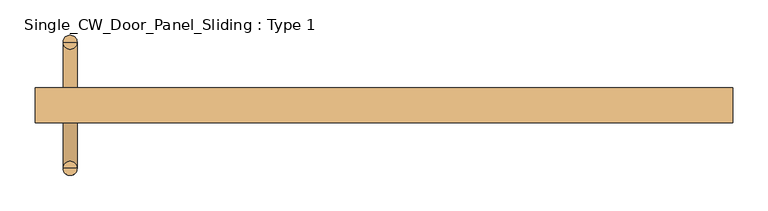
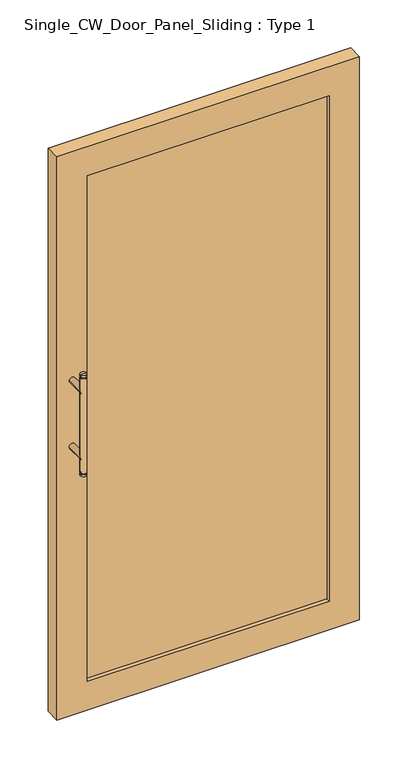
"""IFC4 building model written with IfcOpenShell, lengths in millimetres: door geometry, Single_CW_Door_Panel_Sliding : Type 1."""

from ifc_helpers import new_model, si_unit, point, frame, frame_2d, origin, place, context, project, spatial, polyline, circle_curve, trimmed, segment, composite_curve, outline, extrude, source, transform, mapped, element, save
from ifc_brep_helpers import plane_surface, cylinder_surface, advanced_brep


def single_cw_door_panel_sliding_type_1_6af291b7(model_context):
    return source(origin(), model_context, "Body", "SolidModel", [
        advanced_brep(
        [(-437.5, 20.0, 1219.0), (-457.5, 20.0, 1219.0), (-457.5, 20.0, 1225.0), (-437.5, 20.0, 1225.0), (-455.5323501, 20.0, 1214.7650043), (-439.4676499, 20.0, 1214.7650043), (-439.4676499, 20.0, 1219.0), (-455.5323501, 20.0, 1219.0), (-437.5, 20.0, 1214.7650043), (-457.5, 20.0, 1214.7650043), (-437.5, 20.0, 885.2349957), (-457.5, 20.0, 885.2349957), (-439.4676499, 20.0, 885.2349957), (-455.5323501, 20.0, 885.2349957), (-439.4676499, 20.0, 881.0), (-455.5323501, 20.0, 881.0), (-437.5, 20.0, 881.0), (-457.5, 20.0, 881.0), (-437.5, 20.0, 875.0), (-457.5, 20.0, 875.0), (-447.5, 20.0, 875.0), (-447.5, 20.0, 1225.0)],
        [
            (0, 1, circle_curve(frame((-447.5, 20.0, 1219.0), z_axis=(0.0, 0.0, 1.0), x_axis=(-1.0, 0.0, 0.0)), 10.0)),
            (1, 2),
            (2, 3, circle_curve(frame((-447.5, 20.0, 1225.0), z_axis=(0.0, 0.0, -1.0), x_axis=(-1.0, 0.0, 0.0)), 10.0)),
            (3, 0),
            (4, 5, circle_curve(frame((-447.5, 20.0, 1214.7650043), z_axis=(0.0, 0.0, 1.0), x_axis=(-1.0, 0.0, 0.0)), 8.0323501)),
            (5, 6),
            (6, 7, circle_curve(frame((-447.5, 20.0, 1219.0), z_axis=(0.0, 0.0, -1.0), x_axis=(-1.0, 0.0, 0.0)), 8.0323501)),
            (7, 4),
            (1, 0, circle_curve(frame((-447.5, 20.0, 1219.0), z_axis=(0.0, 0.0, 1.0), x_axis=(-1.0, 0.0, 0.0)), 10.0)),
            (3, 2, circle_curve(frame((-447.5, 20.0, 1225.0), z_axis=(0.0, 0.0, -1.0), x_axis=(-1.0, 0.0, 0.0)), 10.0)),
            (6, 7, circle_curve(frame((-447.5, 20.0, 1219.0), z_axis=(0.0, 0.0, 1.0), x_axis=(-1.0, 0.0, 0.0)), 8.0323501)),
            (7, 1),
            (0, 6),
            (5, 4, circle_curve(frame((-447.5, 20.0, 1214.7650043), z_axis=(0.0, 0.0, 1.0), x_axis=(-1.0, 0.0, 0.0)), 8.0323501)),
            (8, 9, circle_curve(frame((-447.5, 20.0, 1214.7650043), z_axis=(0.0, 0.0, 1.0), x_axis=(-1.0, 0.0, 0.0)), 10.0)),
            (9, 4),
            (5, 8),
            (9, 8, circle_curve(frame((-447.5, 20.0, 1214.7650043), z_axis=(0.0, 0.0, 1.0), x_axis=(-1.0, 0.0, 0.0)), 10.0)),
            (10, 11, circle_curve(frame((-447.5, 20.0, 885.2349957), z_axis=(0.0, 0.0, 1.0), x_axis=(-1.0, 0.0, 0.0)), 10.0)),
            (11, 9),
            (8, 10),
            (11, 10, circle_curve(frame((-447.5, 20.0, 885.2349957), z_axis=(0.0, 0.0, 1.0), x_axis=(-1.0, 0.0, 0.0)), 10.0)),
            (12, 13, circle_curve(frame((-447.5, 20.0, 885.2349957), z_axis=(0.0, 0.0, 1.0), x_axis=(-1.0, 0.0, 0.0)), 8.0323501)),
            (13, 11),
            (10, 12),
            (13, 12, circle_curve(frame((-447.5, 20.0, 885.2349957), z_axis=(0.0, 0.0, 1.0), x_axis=(-1.0, 0.0, 0.0)), 8.0323501)),
            (14, 15, circle_curve(frame((-447.5, 20.0, 881.0), z_axis=(0.0, 0.0, 1.0), x_axis=(-1.0, 0.0, 0.0)), 8.0323501)),
            (15, 13),
            (12, 14),
            (15, 14, circle_curve(frame((-447.5, 20.0, 881.0), z_axis=(0.0, 0.0, 1.0), x_axis=(-1.0, 0.0, 0.0)), 8.0323501)),
            (16, 17, circle_curve(frame((-447.5, 20.0, 881.0), z_axis=(0.0, 0.0, 1.0), x_axis=(-1.0, 0.0, 0.0)), 10.0)),
            (17, 15),
            (14, 16),
            (17, 16, circle_curve(frame((-447.5, 20.0, 881.0), z_axis=(0.0, 0.0, 1.0), x_axis=(-1.0, 0.0, 0.0)), 10.0)),
            (18, 19, circle_curve(frame((-447.5, 20.0, 875.0), z_axis=(0.0, 0.0, 1.0), x_axis=(-1.0, 0.0, 0.0)), 10.0)),
            (19, 17),
            (16, 18),
            (19, 18, circle_curve(frame((-447.5, 20.0, 875.0), z_axis=(0.0, 0.0, 1.0), x_axis=(-1.0, 0.0, 0.0)), 10.0)),
            (20, 19),
            (18, 20),
            (2, 21),
            (21, 3),
        ],
        [
            cylinder_surface(frame((-447.5, 20.0, 850.0), z_axis=(0.0, 0.0, -1.0), x_axis=(-1.0, 0.0, 0.0)), 10.0),
            cylinder_surface(frame((-447.5, 20.0, 850.0), z_axis=(0.0, 0.0, -1.0), x_axis=(-1.0, 0.0, 0.0)), 8.0323501),
            plane_surface(frame((-447.5, 20.0, 1219.0), z_axis=(0.0, 0.0, -1.0), x_axis=(-1.0, 0.0, 0.0))),
            plane_surface(frame((-447.5, 20.0, 1214.7650043), z_axis=(0.0, 0.0, 1.0), x_axis=(-1.0, 0.0, 0.0))),
            plane_surface(frame((-447.5, 20.0, 885.2349957), z_axis=(0.0, 0.0, -1.0), x_axis=(-1.0, 0.0, 0.0))),
            plane_surface(frame((-447.5, 20.0, 881.0), z_axis=(0.0, 0.0, 1.0), x_axis=(-1.0, 0.0, 0.0))),
            plane_surface(frame((-447.5, 20.0, 875.0), z_axis=(0.0, 0.0, -1.0), x_axis=(-1.0, 0.0, 0.0))),
            plane_surface(frame((-447.5, 20.0, 1225.0), z_axis=(0.0, 0.0, 1.0), x_axis=(-1.0, 0.0, 0.0))),
        ],
        [
            (0, [[1, 2, 3, 4]]),
            (1, [[5, 6, 7, 8]]),
            (0, [[9, -4, 10, -2]]),
            (2, [[11, 12, -1, 13]]),
            (2, [[-7, -13, -9, -12]]),
            (1, [[14, -8, -11, -6]]),
            (3, [[15, 16, -14, 17]]),
            (3, [[18, -17, -5, -16]]),
            (0, [[19, 20, -15, 21]]),
            (0, [[22, -21, -18, -20]]),
            (4, [[23, 24, -19, 25]]),
            (4, [[26, -25, -22, -24]]),
            (1, [[27, 28, -23, 29]]),
            (1, [[30, -29, -26, -28]]),
            (5, [[31, 32, -27, 33]]),
            (5, [[34, -33, -30, -32]]),
            (0, [[35, 36, -31, 37]]),
            (0, [[38, -37, -34, -36]]),
            (6, [[39, -35, 40]]),
            (6, [[-40, -38, -39]]),
            (7, [[-3, 41, 42]]),
            (7, [[-10, -42, -41]]),
        ],
    ),
        extrude(outline(composite_curve([segment(trimmed(circle_curve(frame_2d((935.0, -447.5)), 10.0), [point((935.0, -457.5))], [point((935.0, -437.5))], False, "CARTESIAN"), True, "CONTINUOUS"), segment(trimmed(circle_curve(frame_2d((935.0, -447.5)), 10.0), [point((935.0, -437.5))], [point((935.0, -457.5))], False, "CARTESIAN"), True, "CONTINUOUS")], self_intersect=False)), frame((0.0, -45.0, 0.0), z_axis=(0.0, 1.0, 0.0), x_axis=(0.0, 0.0, 1.0)), (0.0, 0.0, 1.0), 65.0),
        extrude(outline(composite_curve([segment(trimmed(circle_curve(frame_2d((1165.0, -447.5)), 10.0), [point((1165.0, -457.5))], [point((1165.0, -437.5))], False, "CARTESIAN"), True, "CONTINUOUS"), segment(trimmed(circle_curve(frame_2d((1165.0, -447.5)), 10.0), [point((1165.0, -437.5))], [point((1165.0, -457.5))], False, "CARTESIAN"), True, "CONTINUOUS")], self_intersect=False)), frame((0.0, -45.0, 0.0), z_axis=(0.0, 1.0, 0.0), x_axis=(0.0, 0.0, 1.0)), (0.0, 0.0, 1.0), 65.0),
        extrude(outline(polyline([(397.5, -57.5), (397.5, -82.5), (-397.5, -82.5), (-397.5, -57.5), (397.5, -57.5)])), frame((0.0, 0.0, 100.0), z_axis=(0.0, 0.0, 1.0), x_axis=(1.0, 0.0, 0.0)), (0.0, 0.0, 1.0), 1757.6957848),
        extrude(outline(polyline([(1957.6957848, 497.5), (1957.6957848, -497.5), (0.0, -497.5), (0.0, 497.5), (1957.6957848, 497.5)]), holes=[polyline([(1857.6957848, 397.5), (100.0, 397.5), (100.0, -397.5), (1857.6957848, -397.5), (1857.6957848, 397.5)])]), frame((0.0, -95.0, 0.0), z_axis=(0.0, 1.0, 0.0), x_axis=(0.0, 0.0, 1.0)), (0.0, 0.0, 1.0), 50.0),
        advanced_brep(
        [(-437.5, -160.0, 1219.0), (-437.5, -160.0, 1225.0), (-457.5, -160.0, 1225.0), (-457.5, -160.0, 1219.0), (-455.5323501, -160.0, 1214.7650043), (-455.5323501, -160.0, 1219.0), (-439.4676499, -160.0, 1219.0), (-439.4676499, -160.0, 1214.7650043), (-437.5, -160.0, 1214.7650043), (-457.5, -160.0, 1214.7650043), (-437.5, -160.0, 885.2349957), (-457.5, -160.0, 885.2349957), (-439.4676499, -160.0, 885.2349957), (-455.5323501, -160.0, 885.2349957), (-439.4676499, -160.0, 881.0), (-455.5323501, -160.0, 881.0), (-437.5, -160.0, 881.0), (-457.5, -160.0, 881.0), (-437.5, -160.0, 875.0), (-457.5, -160.0, 875.0), (-447.5, -160.0, 875.0), (-447.5, -160.0, 1225.0)],
        [
            (0, 1),
            (1, 2, circle_curve(frame((-447.5, -160.0, 1225.0), z_axis=(0.0, 0.0, -1.0), x_axis=(-1.0, 0.0, 0.0)), 10.0)),
            (2, 3),
            (3, 0, circle_curve(frame((-447.5, -160.0, 1219.0), z_axis=(0.0, 0.0, 1.0), x_axis=(-1.0, 0.0, 0.0)), 10.0)),
            (4, 5),
            (5, 6, circle_curve(frame((-447.5, -160.0, 1219.0), z_axis=(0.0, 0.0, -1.0), x_axis=(-1.0, 0.0, 0.0)), 8.0323501)),
            (6, 7),
            (7, 4, circle_curve(frame((-447.5, -160.0, 1214.7650043), z_axis=(0.0, 0.0, 1.0), x_axis=(-1.0, 0.0, 0.0)), 8.0323501)),
            (2, 1, circle_curve(frame((-447.5, -160.0, 1225.0), z_axis=(0.0, 0.0, -1.0), x_axis=(-1.0, 0.0, 0.0)), 10.0)),
            (0, 3, circle_curve(frame((-447.5, -160.0, 1219.0), z_axis=(0.0, 0.0, 1.0), x_axis=(-1.0, 0.0, 0.0)), 10.0)),
            (6, 0),
            (3, 5),
            (5, 6, circle_curve(frame((-447.5, -160.0, 1219.0), z_axis=(0.0, 0.0, 1.0), x_axis=(-1.0, 0.0, 0.0)), 8.0323501)),
            (4, 7, circle_curve(frame((-447.5, -160.0, 1214.7650043), z_axis=(0.0, 0.0, 1.0), x_axis=(-1.0, 0.0, 0.0)), 8.0323501)),
            (8, 7),
            (4, 9),
            (9, 8, circle_curve(frame((-447.5, -160.0, 1214.7650043), z_axis=(0.0, 0.0, 1.0), x_axis=(-1.0, 0.0, 0.0)), 10.0)),
            (8, 9, circle_curve(frame((-447.5, -160.0, 1214.7650043), z_axis=(0.0, 0.0, 1.0), x_axis=(-1.0, 0.0, 0.0)), 10.0)),
            (10, 8),
            (9, 11),
            (11, 10, circle_curve(frame((-447.5, -160.0, 885.2349957), z_axis=(0.0, 0.0, 1.0), x_axis=(-1.0, 0.0, 0.0)), 10.0)),
            (10, 11, circle_curve(frame((-447.5, -160.0, 885.2349957), z_axis=(0.0, 0.0, 1.0), x_axis=(-1.0, 0.0, 0.0)), 10.0)),
            (12, 10),
            (11, 13),
            (13, 12, circle_curve(frame((-447.5, -160.0, 885.2349957), z_axis=(0.0, 0.0, 1.0), x_axis=(-1.0, 0.0, 0.0)), 8.0323501)),
            (12, 13, circle_curve(frame((-447.5, -160.0, 885.2349957), z_axis=(0.0, 0.0, 1.0), x_axis=(-1.0, 0.0, 0.0)), 8.0323501)),
            (14, 12),
            (13, 15),
            (15, 14, circle_curve(frame((-447.5, -160.0, 881.0), z_axis=(0.0, 0.0, 1.0), x_axis=(-1.0, 0.0, 0.0)), 8.0323501)),
            (14, 15, circle_curve(frame((-447.5, -160.0, 881.0), z_axis=(0.0, 0.0, 1.0), x_axis=(-1.0, 0.0, 0.0)), 8.0323501)),
            (16, 14),
            (15, 17),
            (17, 16, circle_curve(frame((-447.5, -160.0, 881.0), z_axis=(0.0, 0.0, 1.0), x_axis=(-1.0, 0.0, 0.0)), 10.0)),
            (16, 17, circle_curve(frame((-447.5, -160.0, 881.0), z_axis=(0.0, 0.0, 1.0), x_axis=(-1.0, 0.0, 0.0)), 10.0)),
            (18, 16),
            (17, 19),
            (19, 18, circle_curve(frame((-447.5, -160.0, 875.0), z_axis=(0.0, 0.0, 1.0), x_axis=(-1.0, 0.0, 0.0)), 10.0)),
            (18, 19, circle_curve(frame((-447.5, -160.0, 875.0), z_axis=(0.0, 0.0, 1.0), x_axis=(-1.0, 0.0, 0.0)), 10.0)),
            (20, 18),
            (19, 20),
            (1, 21),
            (21, 2),
        ],
        [
            cylinder_surface(frame((-447.5, -160.0, 850.0), z_axis=(0.0, 0.0, -1.0), x_axis=(-1.0, 0.0, 0.0)), 10.0),
            cylinder_surface(frame((-447.5, -160.0, 850.0), z_axis=(0.0, 0.0, -1.0), x_axis=(-1.0, 0.0, 0.0)), 8.0323501),
            plane_surface(frame((-447.5, -160.0, 1219.0), z_axis=(0.0, 0.0, -1.0), x_axis=(-1.0, 0.0, 0.0))),
            plane_surface(frame((-447.5, -160.0, 1214.7650043), z_axis=(0.0, 0.0, 1.0), x_axis=(-1.0, 0.0, 0.0))),
            plane_surface(frame((-447.5, -160.0, 885.2349957), z_axis=(0.0, 0.0, -1.0), x_axis=(-1.0, 0.0, 0.0))),
            plane_surface(frame((-447.5, -160.0, 881.0), z_axis=(0.0, 0.0, 1.0), x_axis=(-1.0, 0.0, 0.0))),
            plane_surface(frame((-447.5, -160.0, 875.0), z_axis=(0.0, 0.0, -1.0), x_axis=(-1.0, 0.0, 0.0))),
            plane_surface(frame((-447.5, -160.0, 1225.0), z_axis=(0.0, 0.0, 1.0), x_axis=(-1.0, 0.0, 0.0))),
        ],
        [
            (0, [[1, 2, 3, 4]]),
            (1, [[5, 6, 7, 8]]),
            (0, [[-3, 9, -1, 10]]),
            (2, [[11, -4, 12, 13]]),
            (2, [[-12, -10, -11, -6]]),
            (1, [[-7, -13, -5, 14]]),
            (3, [[15, -14, 16, 17]]),
            (3, [[-16, -8, -15, 18]]),
            (0, [[19, -17, 20, 21]]),
            (0, [[-20, -18, -19, 22]]),
            (4, [[23, -21, 24, 25]]),
            (4, [[-24, -22, -23, 26]]),
            (1, [[27, -25, 28, 29]]),
            (1, [[-28, -26, -27, 30]]),
            (5, [[31, -29, 32, 33]]),
            (5, [[-32, -30, -31, 34]]),
            (0, [[35, -33, 36, 37]]),
            (0, [[-36, -34, -35, 38]]),
            (6, [[39, -37, 40]]),
            (6, [[-40, -38, -39]]),
            (7, [[41, 42, -2]]),
            (7, [[-42, -41, -9]]),
        ],
    ),
        extrude(outline(composite_curve([segment(trimmed(circle_curve(frame_2d((1165.0, -447.5)), 10.0), [point((1165.0, -457.5))], [point((1165.0, -437.5))], False, "CARTESIAN"), True, "CONTINUOUS"), segment(trimmed(circle_curve(frame_2d((1165.0, -447.5)), 10.0), [point((1165.0, -437.5))], [point((1165.0, -457.5))], False, "CARTESIAN"), True, "CONTINUOUS")], self_intersect=False)), frame((0.0, -160.0, 0.0), z_axis=(0.0, 1.0, 0.0), x_axis=(0.0, 0.0, 1.0)), (0.0, 0.0, 1.0), 65.0),
        extrude(outline(composite_curve([segment(trimmed(circle_curve(frame_2d((935.0, -447.5)), 10.0), [point((935.0, -457.5))], [point((935.0, -437.5))], False, "CARTESIAN"), True, "CONTINUOUS"), segment(trimmed(circle_curve(frame_2d((935.0, -447.5)), 10.0), [point((935.0, -437.5))], [point((935.0, -457.5))], False, "CARTESIAN"), True, "CONTINUOUS")], self_intersect=False)), frame((0.0, -160.0, 0.0), z_axis=(0.0, 1.0, 0.0), x_axis=(0.0, 0.0, 1.0)), (0.0, 0.0, 1.0), 65.0),
    ])


if __name__ == "__main__":
    model = new_model("IFC4")
    model_context = context("Model", 3, world=origin())
    ifc_project = project(units=[si_unit("LENGTHUNIT", "METRE", prefix="MILLI")], contexts=[model_context])
    site = spatial("IfcSite", under=ifc_project)
    building = spatial("IfcBuilding", under=site)
    placement = place(None, origin())
    single_cw_door_panel_sliding_type_1_shape = single_cw_door_panel_sliding_type_1_6af291b7(model_context)
    element("IfcDoor", 1, ObjectType="Single_CW_Door_Panel_Sliding : Type 1", at=placement, inside=building, context=model_context, shape_type="MappedRepresentation", body=[
        mapped(single_cw_door_panel_sliding_type_1_shape, transform((0.0, 0.0, 0.0), x_axis=(1.0, 0.0, 0.0), y_axis=(0.0, 1.0, 0.0), z_axis=(0.0, 0.0, 1.0))),
    ])
    save(model, "model.ifc")
